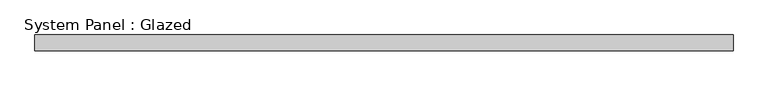
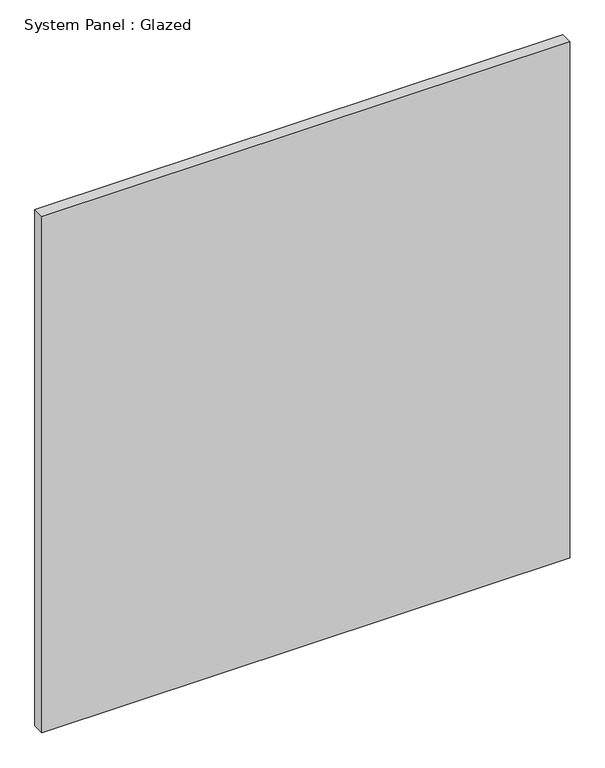
"""IFC4 building model written with IfcOpenShell, lengths in millimetres: plate geometry, System Panel : Glazed."""

from ifc_helpers import new_model, si_unit, origin, origin_with_axes, place, context, project, spatial, polyline, outline, extrude, source, transform, mapped, element, save


def system_panel_glazed_8a69766f(model_context):
    return source(origin(), model_context, "Body", "SweptSolid", [
        extrude(outline(polyline([(552.45, 25.4), (-552.45, 25.4), (-552.45, 50.8), (552.45, 50.8), (552.45, 25.4)])), origin_with_axes(), (0.0, 0.0, 1.0), 1143.0),
    ])


if __name__ == "__main__":
    model = new_model("IFC4")
    model_context = context("Model", 3, world=origin())
    ifc_project = project(units=[si_unit("LENGTHUNIT", "METRE", prefix="MILLI")], contexts=[model_context])
    site = spatial("IfcSite", under=ifc_project)
    building = spatial("IfcBuilding", under=site)
    placement = place(None, origin())
    system_panel_glazed_shape = system_panel_glazed_8a69766f(model_context)
    element("IfcPlate", 1, ObjectType="System Panel : Glazed", at=placement, inside=building, context=model_context, shape_type="MappedRepresentation", body=[
        mapped(system_panel_glazed_shape, transform((0.0, 0.0, 0.0), x_axis=(1.0, 0.0, 0.0), y_axis=(0.0, 1.0, 0.0), z_axis=(0.0, 0.0, 1.0))),
    ])
    save(model, "model.ifc")
